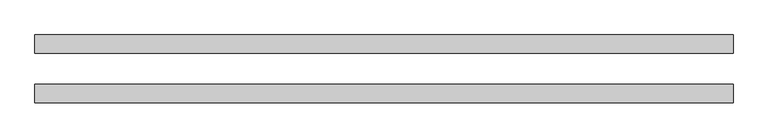
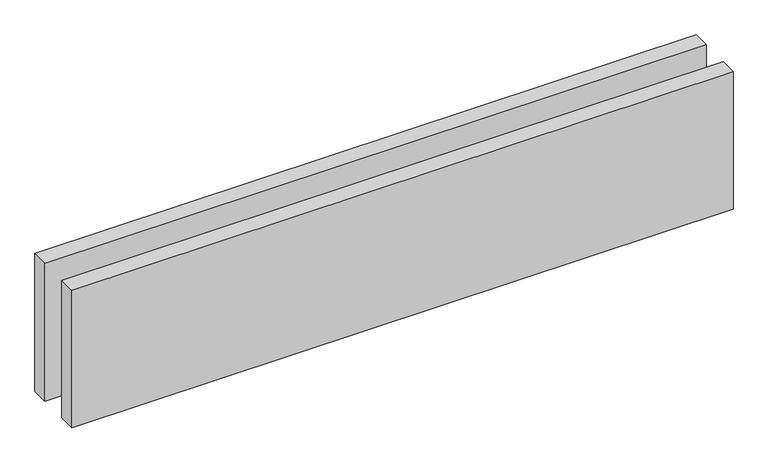
"""IFC4 building model written with IfcOpenShell, lengths in millimetres: proxy geometry."""

from ifc_helpers import new_model, si_unit, origin, origin_with_axes, place, context, project, spatial, polyline, outline, extrude, source, transform, mapped, element, save


def generic_models_0e666839(model_context):
    return source(origin(), model_context, "Body", "SweptSolid", [
        extrude(outline(polyline([(1135.0, 25.0), (0.0, 25.0), (0.0, 55.0), (1135.0, 55.0), (1135.0, 25.0)])), origin_with_axes(), (0.0, 0.0, 1.0), 250.0),
        extrude(outline(polyline([(1135.0, -55.0), (0.0, -55.0), (0.0, -25.0), (1135.0, -25.0), (1135.0, -55.0)])), origin_with_axes(), (0.0, 0.0, 1.0), 250.0),
    ])


if __name__ == "__main__":
    model = new_model("IFC4")
    model_context = context("Model", 3, world=origin())
    ifc_project = project(units=[si_unit("LENGTHUNIT", "METRE", prefix="MILLI")], contexts=[model_context])
    site = spatial("IfcSite", under=ifc_project)
    building = spatial("IfcBuilding", under=site)
    placement = place(None, origin())
    generic_models_shape = generic_models_0e666839(model_context)
    element("IfcBuildingElementProxy", 1, Name="Generic Models", at=placement, inside=building, context=model_context, shape_type="MappedRepresentation", body=[
        mapped(generic_models_shape, transform((0.0, 0.0, 0.0), x_axis=(1.0, 0.0, 0.0), y_axis=(0.0, 1.0, 0.0), z_axis=(0.0, 0.0, 1.0))),
    ])
    save(model, "model.ifc")
